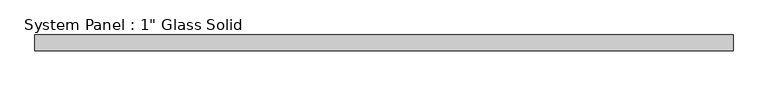
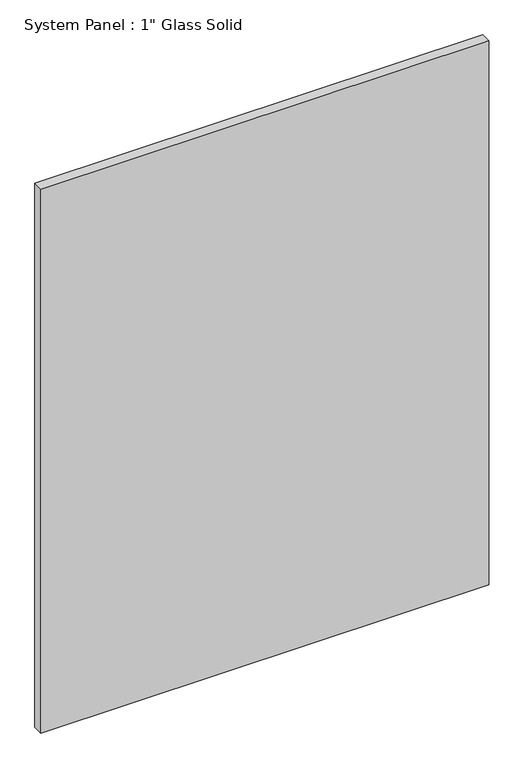
"""IFC4 building model written with IfcOpenShell, lengths in millimetres: plate geometry."""

from ifc_helpers import new_model, si_unit, origin, origin_with_axes, place, context, project, spatial, polyline, outline, extrude, source, transform, mapped, element, save


def plate_91a2ecfd(model_context):
    return source(origin(), model_context, "Body", "SweptSolid", [
        extrude(outline(polyline([(565.7305865, -12.7), (-565.7305865, -12.7), (-565.7305865, 12.7), (565.7305865, 12.7), (565.7305865, -12.7)])), origin_with_axes(), (0.0, 0.0, 1.0), 1452.8817704),
    ])


if __name__ == "__main__":
    model = new_model("IFC4")
    model_context = context("Model", 3, world=origin())
    ifc_project = project(units=[si_unit("LENGTHUNIT", "METRE", prefix="MILLI")], contexts=[model_context])
    site = spatial("IfcSite", under=ifc_project)
    building = spatial("IfcBuilding", under=site)
    placement = place(None, origin())
    plate_shape = plate_91a2ecfd(model_context)
    element("IfcPlate", 1, ObjectType="System Panel : 1\" Glass Solid", at=placement, inside=building, context=model_context, shape_type="MappedRepresentation", body=[
        mapped(plate_shape, transform((0.0, 0.0, 0.0), x_axis=(1.0, 0.0, 0.0), y_axis=(0.0, 1.0, 0.0), z_axis=(0.0, 0.0, 1.0))),
    ])
    save(model, "model.ifc")
